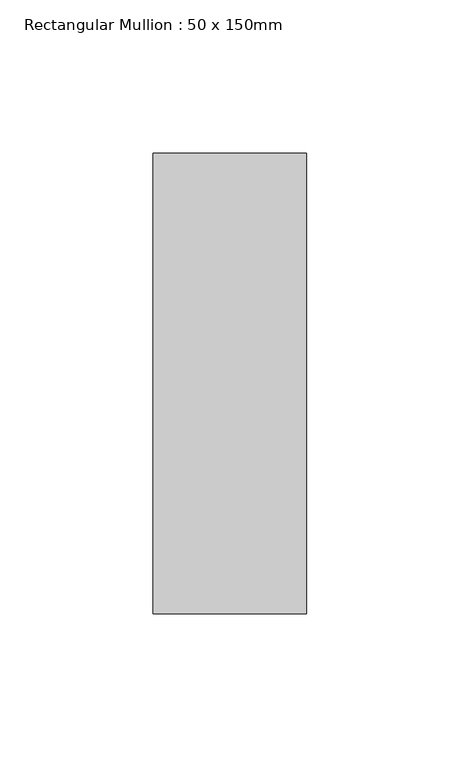
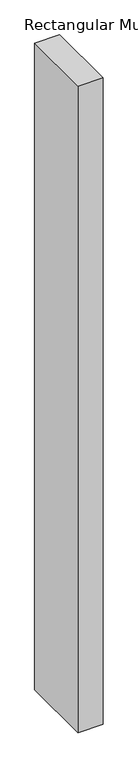
"""IFC4 building model written with IfcOpenShell, lengths in millimetres: member geometry, Rectangular Mullion : 50 x 150mm."""

from ifc_helpers import new_model, si_unit, frame, origin, place, context, project, spatial, polyline, outline, extrude, source, transform, mapped, element, save


def rectangular_mullion_50_x_150mm_7b0d9226(model_context):
    return source(origin(), model_context, "Body", "SweptSolid", [
        extrude(outline(polyline([(25.0, 75.0), (25.0, -75.0), (-25.0, -75.0), (-25.0, 75.0), (25.0, 75.0)])), frame((0.0, 0.0, -1369.4556665), z_axis=(0.0, 0.0, 1.0), x_axis=(1.0, 0.0, 0.0)), (0.0, 0.0, 1.0), 1369.4556665),
    ])


if __name__ == "__main__":
    model = new_model("IFC4")
    model_context = context("Model", 3, world=origin())
    ifc_project = project(units=[si_unit("LENGTHUNIT", "METRE", prefix="MILLI")], contexts=[model_context])
    site = spatial("IfcSite", under=ifc_project)
    building = spatial("IfcBuilding", under=site)
    placement = place(None, origin())
    rectangular_mullion_50_x_150mm_shape = rectangular_mullion_50_x_150mm_7b0d9226(model_context)
    element("IfcMember", 1, ObjectType="Rectangular Mullion : 50 x 150mm", at=placement, inside=building, context=model_context, shape_type="MappedRepresentation", body=[
        mapped(rectangular_mullion_50_x_150mm_shape, transform((0.0, 0.0, 0.0), x_axis=(1.0, 0.0, 0.0), y_axis=(0.0, 1.0, 0.0), z_axis=(0.0, 0.0, 1.0))),
    ])
    save(model, "model.ifc")
